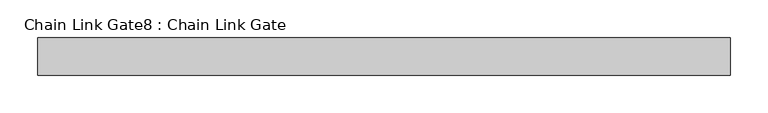
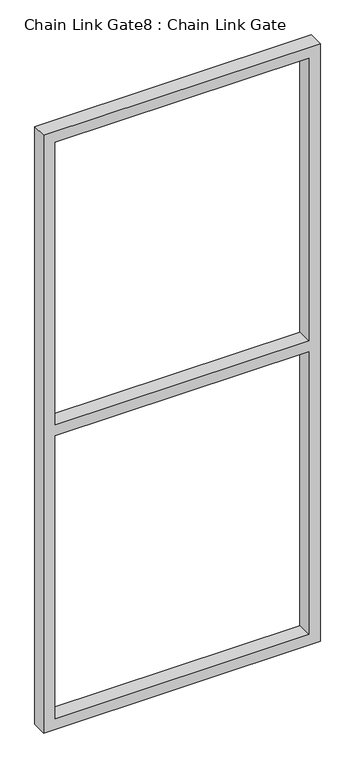
"""IFC4 building model written with IfcOpenShell, lengths in millimetres: proxy geometry, Chain Link Gate8 : Chain Link Gate."""

from ifc_helpers import new_model, si_unit, frame, origin, place, context, project, spatial, polyline, outline, extrude, source, transform, mapped, element, save


def chain_link_gate8_chain_link_gate_576708ff(model_context):
    return source(origin(), model_context, "Body", "SweptSolid", [
        extrude(outline(polyline([(2120.9, -24649.4868371), (12.7, -24649.4868371), (12.7, -23725.5618371), (2120.9, -23725.5618371), (2120.9, -24649.4868371)]), holes=[polyline([(2082.8, -24611.3868371), (2082.8, -23763.6618371), (1085.85, -23763.6618371), (1085.85, -24611.3868371), (2082.8, -24611.3868371)]), polyline([(1047.75, -23763.6618371), (50.8, -23763.6618371), (50.8, -24611.3868371), (1047.75, -24611.3868371), (1047.75, -23763.6618371)])]), frame((0.0, 726.8706482, 0.0), z_axis=(0.0, 1.0, 0.0), x_axis=(0.0, 0.0, 1.0)), (0.0, 0.0, 1.0), 50.1314753),
    ])


if __name__ == "__main__":
    model = new_model("IFC4")
    model_context = context("Model", 3, world=origin())
    ifc_project = project(units=[si_unit("LENGTHUNIT", "METRE", prefix="MILLI")], contexts=[model_context])
    site = spatial("IfcSite", under=ifc_project)
    building = spatial("IfcBuilding", under=site)
    placement = place(None, origin())
    chain_link_gate8_chain_link_gate_shape = chain_link_gate8_chain_link_gate_576708ff(model_context)
    element("IfcBuildingElementProxy", 1, Name="Chain Link Gate8 : Chain Link Gate", ObjectType="Chain Link Gate8 : Chain Link Gate", at=placement, inside=building, context=model_context, shape_type="MappedRepresentation", body=[
        mapped(chain_link_gate8_chain_link_gate_shape, transform((0.0, 0.0, 0.0), x_axis=(1.0, 0.0, 0.0), y_axis=(0.0, 1.0, 0.0), z_axis=(0.0, 0.0, 1.0))),
    ])
    save(model, "model.ifc")
